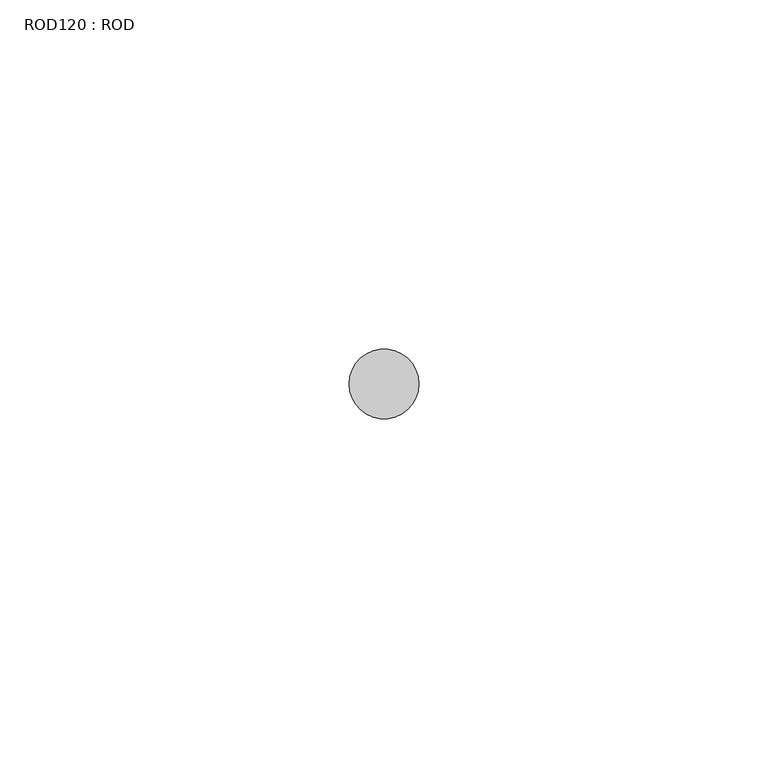
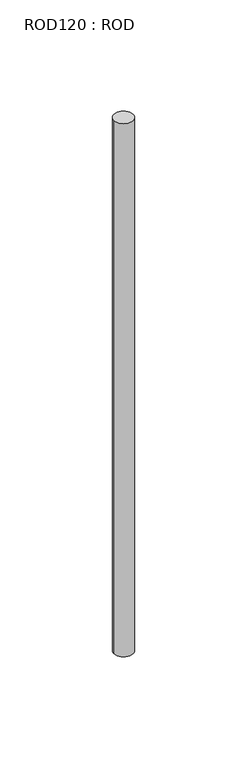
"""IFC4 building model written with IfcOpenShell, lengths in millimetres: proxy geometry, ROD120 : ROD."""

from ifc_helpers import new_model, si_unit, point, frame, frame_2d, origin, place, context, project, spatial, circle_curve, trimmed, segment, composite_curve, outline, extrude, source, transform, mapped, element, save


def rod120_rod_8caf6201(model_context):
    return source(origin(), model_context, "Body", "SweptSolid", [
        extrude(outline(composite_curve([segment(trimmed(circle_curve(frame_2d((10152.7784384, -12414.6300853)), 5.0), [point((10147.7784384, -12414.6300853))], [point((10157.7784384, -12414.6300853))], False, "CARTESIAN"), True, "CONTINUOUS"), segment(trimmed(circle_curve(frame_2d((10152.7784384, -12414.6300853)), 5.0), [point((10157.7784384, -12414.6300853))], [point((10147.7784384, -12414.6300853))], False, "CARTESIAN"), True, "CONTINUOUS")], self_intersect=False)), frame((0.0, 0.0, -208.6608845), z_axis=(0.0, 0.0, 1.0), x_axis=(1.0, 0.0, 0.0)), (0.0, 0.0, 1.0), 298.9028972),
    ])


if __name__ == "__main__":
    model = new_model("IFC4")
    model_context = context("Model", 3, world=origin())
    ifc_project = project(units=[si_unit("LENGTHUNIT", "METRE", prefix="MILLI")], contexts=[model_context])
    site = spatial("IfcSite", under=ifc_project)
    building = spatial("IfcBuilding", under=site)
    placement = place(None, origin())
    rod120_rod_shape = rod120_rod_8caf6201(model_context)
    element("IfcBuildingElementProxy", 1, Name="ROD120 : ROD", ObjectType="ROD120 : ROD", at=placement, inside=building, context=model_context, shape_type="MappedRepresentation", body=[
        mapped(rod120_rod_shape, transform((0.0, 0.0, 0.0), x_axis=(1.0, 0.0, 0.0), y_axis=(0.0, 1.0, 0.0), z_axis=(0.0, 0.0, 1.0))),
    ])
    save(model, "model.ifc")
